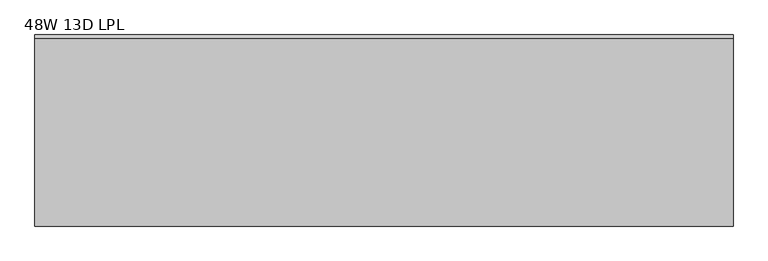
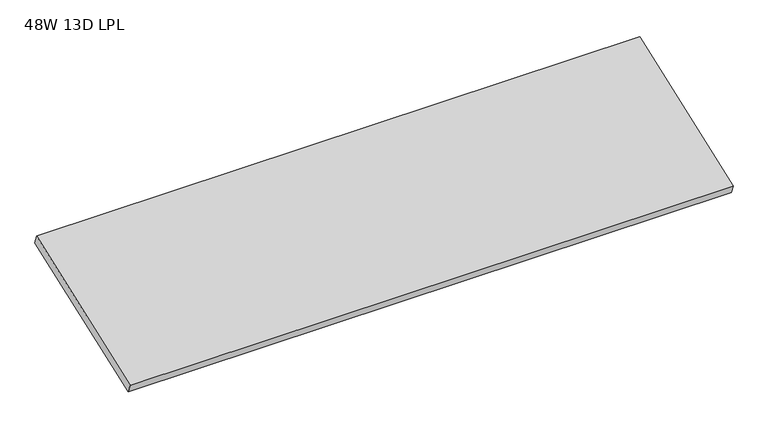
"""IFC4 building model written with IfcOpenShell, lengths in millimetres: furniture geometry, 48W 13D LPL."""

from ifc_helpers import new_model, si_unit, frame, origin, place, context, project, spatial, polyline, outline, extrude, source, transform, mapped, element, save


def furniture_48w_13d_lpl_56aedae1(model_context):
    return source(origin(), model_context, "Body", "SweptSolid", [
        extrude(outline(polyline([(0.0, -348.7270613), (0.0, 0.0), (1219.2, 0.0), (1219.2, -348.7270613), (0.0, -348.7270613)])), frame((1219.2, -327.025, 2161.4576847), z_axis=(0.0, -0.34726301542861543, 0.9377677740866474), x_axis=(-1.0, 0.0, 0.0)), (0.0, 0.0, 1.0), 19.304),
    ])


if __name__ == "__main__":
    model = new_model("IFC4")
    model_context = context("Model", 3, world=origin())
    ifc_project = project(units=[si_unit("LENGTHUNIT", "METRE", prefix="MILLI")], contexts=[model_context])
    site = spatial("IfcSite", under=ifc_project)
    building = spatial("IfcBuilding", under=site)
    placement = place(None, origin())
    furniture_48w_13d_lpl_shape = furniture_48w_13d_lpl_56aedae1(model_context)
    element("IfcFurniture", 1, ObjectType="48W 13D LPL", at=placement, inside=building, context=model_context, shape_type="MappedRepresentation", body=[
        mapped(furniture_48w_13d_lpl_shape, transform((0.0, 0.0, 0.0), x_axis=(1.0, 0.0, 0.0), y_axis=(0.0, 1.0, 0.0), z_axis=(0.0, 0.0, 1.0))),
    ])
    save(model, "model.ifc")
